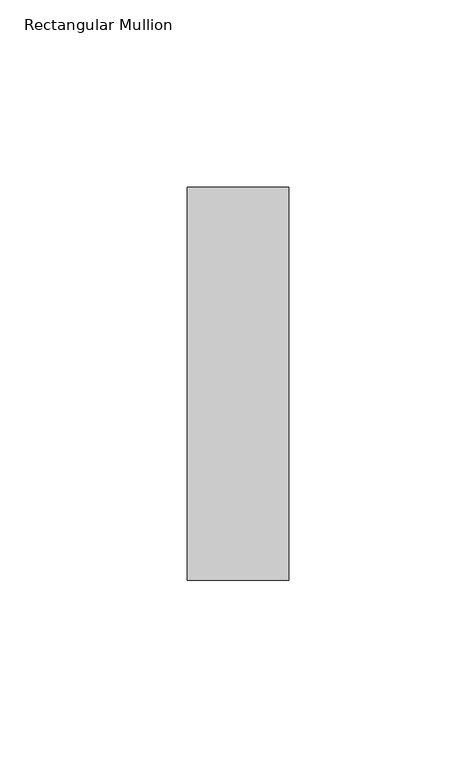
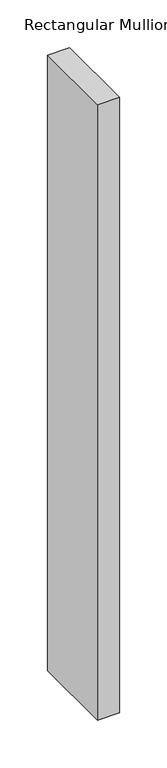
"""IFC4 building model written with IfcOpenShell, lengths in millimetres: member geometry, Rectangular Mullion."""

from ifc_helpers import new_model, si_unit, frame, origin, place, context, project, spatial, polyline, outline, extrude, source, transform, mapped, element, save


def rectangular_mullion_5b730f47(model_context):
    return source(origin(), model_context, "Body", "SweptSolid", [
        extrude(outline(polyline([(-27.0, 52.3975), (0.0, 52.3975), (0.0, -52.3975), (-27.0, -52.3975), (-27.0, 52.3975)])), frame((0.0, 0.0, -788.8333333), z_axis=(0.0, 0.0, 1.0), x_axis=(1.0, 0.0, 0.0)), (0.0, 0.0, 1.0), 788.8333333),
    ])


if __name__ == "__main__":
    model = new_model("IFC4")
    model_context = context("Model", 3, world=origin())
    ifc_project = project(units=[si_unit("LENGTHUNIT", "METRE", prefix="MILLI")], contexts=[model_context])
    site = spatial("IfcSite", under=ifc_project)
    building = spatial("IfcBuilding", under=site)
    placement = place(None, origin())
    rectangular_mullion_shape = rectangular_mullion_5b730f47(model_context)
    element("IfcMember", 1, ObjectType="Rectangular Mullion", at=placement, inside=building, context=model_context, shape_type="MappedRepresentation", body=[
        mapped(rectangular_mullion_shape, transform((0.0, 0.0, 0.0), x_axis=(1.0, 0.0, 0.0), y_axis=(0.0, 1.0, 0.0), z_axis=(0.0, 0.0, 1.0))),
    ])
    save(model, "model.ifc")
